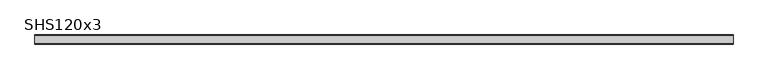
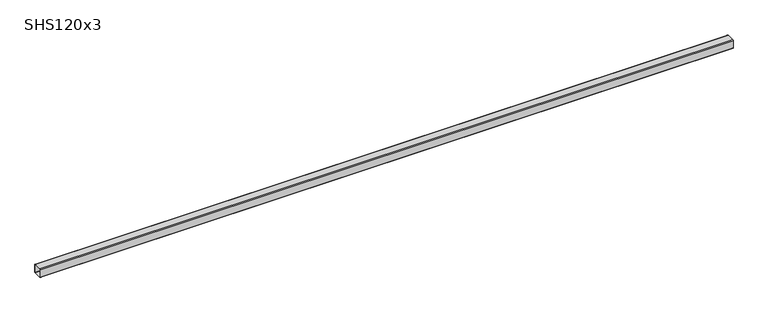
"""IFC4 building model written with IfcOpenShell, lengths in millimetres: beam geometry, SHS120x3."""

import ifcopenshell
import ifcopenshell.guid

model = None  # the IFC model being written
_history = None  # IfcOwnerHistory: only IFC2X3 demands one
_inside = {}  # id of a spatial element -> (the spatial element, [elements in it])
_under = {}  # id of a project, library or spatial element -> (it, [spatial elements below it])
_declared = {}  # id of a project -> (the project, [libraries it declares])
_typed = {}  # id of a type object -> (the type object, [elements of that type])
_made_of = {}  # id of a material, layer set ... -> (it, [elements and type objects made of it])


def new_model(schema):
    """Start an empty IFC model of exactly this schema.

    Asked for "IFC4X3", IfcOpenShell would pick the latest addendum, in which some entities
    have other attributes; the version numbers below select the first issue.
    IFC2X3 requires an IfcOwnerHistory on every rooted entity: one is made here for all.
    """
    global model, _history
    if schema == "IFC4X3":
        model = ifcopenshell.file(schema_version=(4, 3, 0, 0))
    else:
        model = ifcopenshell.file(schema=schema)
    _inside.clear()
    _under.clear()
    _declared.clear()
    _typed.clear()
    _made_of.clear()
    _history = None
    if model.schema == "IFC2X3":
        org = make("IfcOrganization", Name="unknown")
        user = make(
            "IfcPersonAndOrganization",
            ThePerson=make("IfcPerson", FamilyName="unknown"),
            TheOrganization=org,
        )
        app = make(
            "IfcApplication",
            ApplicationDeveloper=org,
            Version="unknown",
            ApplicationFullName="unknown",
            ApplicationIdentifier="unknown",
        )
        _history = make(
            "IfcOwnerHistory",
            OwningUser=user,
            OwningApplication=app,
            ChangeAction="ADDED",
            CreationDate=0,
        )
    return model


def make(cls, **values):
    """One entity of the class cls with the attributes given. An attribute that is None is left unset."""
    return model.create_entity(
        cls, **{name: value for name, value in values.items() if value is not None}
    )


def rooted(cls, **values):
    """An entity with a GlobalId (a new one), such as an element, a storey or a relation."""
    return make(cls, GlobalId=ifcopenshell.guid.new(), OwnerHistory=_history, **values)


def si_unit(unit_type, name, prefix=None):
    """IfcSIUnit, for example si_unit("LENGTHUNIT", "METRE", prefix="MILLI")."""
    return make("IfcSIUnit", UnitType=unit_type, Prefix=prefix, Name=name)


def assignment(units):
    """IfcUnitAssignment: the units of a project."""
    return None if units is None else make("IfcUnitAssignment", Units=units)


def point(xyz):
    """IfcCartesianPoint."""
    return None if xyz is None else make("IfcCartesianPoint", Coordinates=xyz)


def direction(xyz):
    """IfcDirection."""
    return None if xyz is None else make("IfcDirection", DirectionRatios=xyz)


def frame(location, z_axis=None, x_axis=None):
    """IfcAxis2Placement3D, a coordinate frame: its origin and axes. An axis left out is left unset."""
    return make(
        "IfcAxis2Placement3D",
        Location=point(location),
        Axis=direction(z_axis),
        RefDirection=direction(x_axis),
    )


def frame_2d(location, x_axis=None):
    """IfcAxis2Placement2D, a coordinate frame in the plane: its origin and x axis."""
    return make(
        "IfcAxis2Placement2D", Location=point(location), RefDirection=direction(x_axis)
    )


def origin():
    """The frame at (0, 0, 0) with its axes left unset."""
    return frame((0.0, 0.0, 0.0))


def place(relative_to, where):
    """IfcLocalPlacement: puts the frame where relative to a parent placement (None: the world)."""
    return make(
        "IfcLocalPlacement", PlacementRelTo=relative_to, RelativePlacement=where
    )


def context(
    kind, dimensions, precision=None, world=None, true_north=None, identifier=None
):
    """IfcGeometricRepresentationContext, for example the 3D "Model" context."""
    return make(
        "IfcGeometricRepresentationContext",
        ContextIdentifier=identifier,
        ContextType=kind,
        CoordinateSpaceDimension=dimensions,
        Precision=precision,
        WorldCoordinateSystem=world,
        TrueNorth=true_north,
    )


def project(units=None, contexts=None):
    """IfcProject with its units and contexts."""
    return rooted(
        "IfcProject",
        Name="project",
        RepresentationContexts=contexts,
        UnitsInContext=assignment(units),
    )


def spatial(cls, under=None, at=None, **own):
    """A site, building, storey or space (cls), placed at a placement, below another one or the project."""
    s = rooted(cls, ObjectPlacement=at, **own)
    if under is not None:
        _under.setdefault(under.id(), (under, []))[1].append(s)
    return s


def polyline(points):
    """IfcPolyline through the points."""
    return make("IfcPolyline", Points=[point(p) for p in points])


def circle_curve(where, radius):
    """IfcCircle in the frame where."""
    return make("IfcCircle", Position=where, Radius=radius)


def trimmed(basis, trim1, trim2, sense, master):
    """IfcTrimmedCurve: the piece of a basis curve between two trims."""
    return make(
        "IfcTrimmedCurve",
        BasisCurve=basis,
        Trim1=trim1,
        Trim2=trim2,
        SenseAgreement=sense,
        MasterRepresentation=master,
    )


def segment(curve, same_sense, transition):
    """IfcCompositeCurveSegment."""
    return make(
        "IfcCompositeCurveSegment",
        Transition=transition,
        SameSense=same_sense,
        ParentCurve=curve,
    )


def composite_curve(segments, self_intersect=None):
    """IfcCompositeCurve: segments joined end to end."""
    return make("IfcCompositeCurve", Segments=segments, SelfIntersect=self_intersect)


def outline(outer, holes=None, kind="AREA"):
    """IfcArbitraryClosedProfileDef: a profile drawn as a closed curve; with holes, ...WithVoids."""
    if holes is None:
        return make("IfcArbitraryClosedProfileDef", ProfileType=kind, OuterCurve=outer)
    return make(
        "IfcArbitraryProfileDefWithVoids",
        ProfileType=kind,
        OuterCurve=outer,
        InnerCurves=holes,
    )


def extrude(swept, where, along, depth):
    """IfcExtrudedAreaSolid: the profile swept, set in the frame where, extruded along a direction by depth."""
    return make(
        "IfcExtrudedAreaSolid",
        SweptArea=swept,
        Position=where,
        ExtrudedDirection=direction(along),
        Depth=depth,
    )


def shape(context_of_items, identifier, shape_type, items):
    """IfcShapeRepresentation: the items that make up one representation, for example the "Body"."""
    return make(
        "IfcShapeRepresentation",
        ContextOfItems=context_of_items,
        RepresentationIdentifier=identifier,
        RepresentationType=shape_type,
        Items=items,
    )


def source(mapping_origin, context_of_items, identifier, shape_type, items):
    """IfcRepresentationMap: a shape defined once, which mapped items show again and again."""
    return make(
        "IfcRepresentationMap",
        MappingOrigin=mapping_origin,
        MappedRepresentation=shape(context_of_items, identifier, shape_type, items),
    )


def transform(
    local_origin,
    x_axis=None,
    y_axis=None,
    z_axis=None,
    scale=None,
    scale2=None,
    scale3=None,
    uniform=True,
):
    """IfcCartesianTransformationOperator3D, or its non-uniform kind. x_axis, y_axis, z_axis: its Axis1, 2, 3."""
    if uniform:
        return make(
            "IfcCartesianTransformationOperator3D",
            Axis1=direction(x_axis),
            Axis2=direction(y_axis),
            LocalOrigin=point(local_origin),
            Scale=scale,
            Axis3=direction(z_axis),
        )
    return make(
        "IfcCartesianTransformationOperator3DnonUniform",
        Axis1=direction(x_axis),
        Axis2=direction(y_axis),
        LocalOrigin=point(local_origin),
        Scale=scale,
        Axis3=direction(z_axis),
        Scale2=scale2,
        Scale3=scale3,
    )


def mapped(mapping_source, mapping_target):
    """IfcMappedItem: shows the shape of a source again, moved by a transform."""
    return make(
        "IfcMappedItem", MappingSource=mapping_source, MappingTarget=mapping_target
    )


def made_of(thing, what):
    """Note that an element or type object is made of a material, layer set ...; save() writes the relation."""
    if what is not None:
        _made_of.setdefault(what.id(), (what, []))[1].append(thing)
    return thing


def element(
    cls,
    number,
    at=None,
    inside=None,
    cuts=None,
    type_object=None,
    material=None,
    context=None,
    identifier="Body",
    shape_type=None,
    held_by="IfcProductDefinitionShape",
    body=None,
    shapes=None,
    **own,
):
    """One element of the class cls, such as IfcWall. Its Tag is "e" and its number.

    at: its placement. inside: the storey or other place that contains it. cuts: it is an
    opening in that element (IfcRelVoidsElement). A single representation is given by context,
    identifier, shape_type and body (its items); several are given by shapes. held_by: the class
    of the entity that holds the representations. save() writes the other relations.
    """
    e = rooted(cls, Tag="e%d" % number, ObjectPlacement=at, **own)
    if body is not None:
        shapes = [shape(context, identifier, shape_type, body)]
    if shapes is not None:
        e.Representation = make(held_by, Representations=shapes)
    if inside is not None:
        _inside.setdefault(inside.id(), (inside, []))[1].append(e)
    if cuts is not None:
        rooted(
            "IfcRelVoidsElement", RelatingBuildingElement=cuts, RelatedOpeningElement=e
        )
    if type_object is not None:
        _typed.setdefault(type_object.id(), (type_object, []))[1].append(e)
    return made_of(e, material)


def aggregate(whole, parts):
    """IfcRelAggregates: a whole, such as a stair, and the parts it consists of."""
    return rooted("IfcRelAggregates", RelatingObject=whole, RelatedObjects=parts)


def save(model, path):
    """Write the relations noted so far, then the file.

    IfcRelAggregates (storeys below a building ...), IfcRelContainedInSpatialStructure (elements
    in a storey), IfcRelDefinesByType, IfcRelAssociatesMaterial and IfcRelDeclares: one each for
    every whole, place, type object, material and project.
    """
    for whole, parts in _under.values():
        aggregate(whole, parts)
    for where, things in _inside.values():
        rooted(
            "IfcRelContainedInSpatialStructure",
            RelatedElements=things,
            RelatingStructure=where,
        )
    for kind, things in _typed.values():
        rooted("IfcRelDefinesByType", RelatedObjects=things, RelatingType=kind)
    for what, things in _made_of.values():
        rooted("IfcRelAssociatesMaterial", RelatedObjects=things, RelatingMaterial=what)
    for by, libraries in _declared.values():
        rooted("IfcRelDeclares", RelatingContext=by, RelatedDefinitions=libraries)
    model.write(path)


def shs120x3_625739ad(model_context):
    return source(origin(), model_context, "Body", "SweptSolid", [
        extrude(outline(composite_curve([segment(polyline([(60.0, 54.0), (60.0, -54.0)]), True, "CONTINUOUS"), segment(trimmed(circle_curve(frame_2d((54.0, -54.0)), 6.0), [point((60.0, -54.0))], [point((54.0, -60.0))], False, "CARTESIAN"), True, "CONTINUOUS"), segment(polyline([(54.0, -60.0), (-54.0, -60.0)]), True, "CONTINUOUS"), segment(trimmed(circle_curve(frame_2d((-54.0, -54.0)), 6.0), [point((-54.0, -60.0))], [point((-60.0, -54.0))], False, "CARTESIAN"), True, "CONTINUOUS"), segment(polyline([(-60.0, -54.0), (-60.0, 54.0)]), True, "CONTINUOUS"), segment(trimmed(circle_curve(frame_2d((-54.0, 54.0)), 6.0), [point((-60.0, 54.0))], [point((-54.0, 60.0))], False, "CARTESIAN"), True, "CONTINUOUS"), segment(polyline([(-54.0, 60.0), (54.0, 60.0)]), True, "CONTINUOUS"), segment(trimmed(circle_curve(frame_2d((54.0, 54.0)), 6.0), [point((54.0, 60.0))], [point((60.0, 54.0))], False, "CARTESIAN"), True, "CONTINUOUS")], self_intersect=False), holes=[composite_curve([segment(trimmed(circle_curve(frame_2d((-54.0, 54.0)), 3.0), [point((-54.0, 57.0))], [point((-57.0, 54.0))], True, "CARTESIAN"), True, "CONTINUOUS"), segment(polyline([(-57.0, 54.0), (-57.0, -54.0)]), True, "CONTINUOUS"), segment(trimmed(circle_curve(frame_2d((-54.0, -54.0)), 3.0), [point((-57.0, -54.0))], [point((-54.0, -57.0))], True, "CARTESIAN"), True, "CONTINUOUS"), segment(polyline([(-54.0, -57.0), (54.0, -57.0)]), True, "CONTINUOUS"), segment(trimmed(circle_curve(frame_2d((54.0, -54.0)), 3.0), [point((54.0, -57.0))], [point((57.0, -54.0))], True, "CARTESIAN"), True, "CONTINUOUS"), segment(polyline([(57.0, -54.0), (57.0, 54.0)]), True, "CONTINUOUS"), segment(trimmed(circle_curve(frame_2d((54.0, 54.0)), 3.0), [point((57.0, 54.0))], [point((54.0, 57.0))], True, "CARTESIAN"), True, "CONTINUOUS"), segment(polyline([(54.0, 57.0), (-54.0, 57.0)]), True, "CONTINUOUS")], self_intersect=False)]), frame((-4587.0, 0.0, 0.0), z_axis=(1.0, 0.0, 0.0), x_axis=(0.0, 1.0, 0.0)), (0.0, 0.0, 1.0), 9174.0),
    ])


if __name__ == "__main__":
    model = new_model("IFC4")
    model_context = context("Model", 3, world=origin())
    ifc_project = project(units=[si_unit("LENGTHUNIT", "METRE", prefix="MILLI")], contexts=[model_context])
    site = spatial("IfcSite", under=ifc_project)
    building = spatial("IfcBuilding", under=site)
    placement = place(None, origin())
    shs120x3_shape = shs120x3_625739ad(model_context)
    element("IfcBeam", 1, ObjectType="SHS120x3", at=placement, inside=building, context=model_context, shape_type="MappedRepresentation", body=[
        mapped(shs120x3_shape, transform((0.0, 0.0, 0.0), x_axis=(1.0, 0.0, 0.0), y_axis=(0.0, 1.0, 0.0), z_axis=(0.0, 0.0, 1.0))),
    ])
    save(model, "model.ifc")
